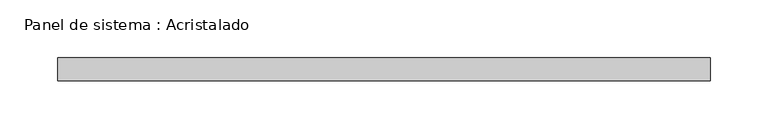
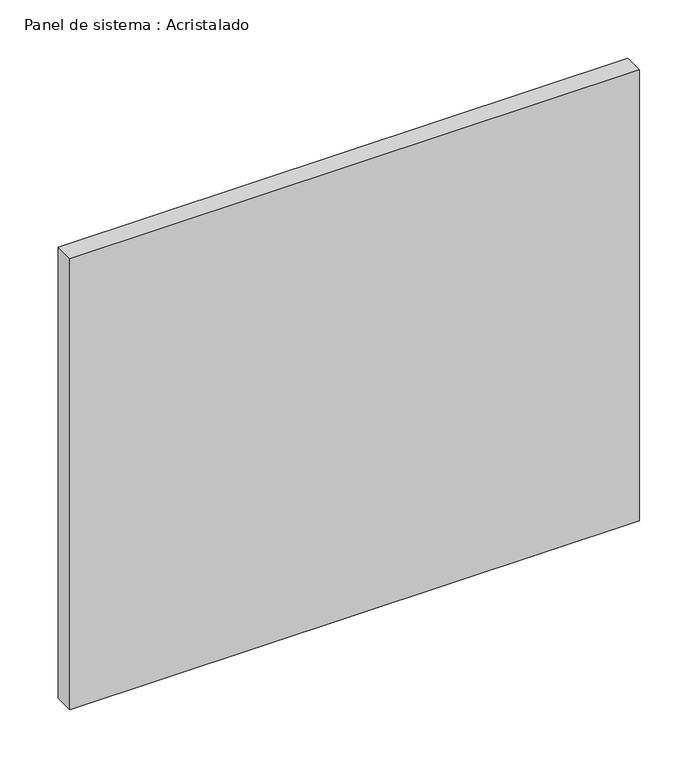
"""IFC4 building model written with IfcOpenShell, lengths in millimetres: plate geometry, Panel de sistema : Acristalado."""

from ifc_helpers import new_model, si_unit, origin, origin_with_axes, place, context, project, spatial, polyline, outline, extrude, source, transform, mapped, element, save


def panel_de_sistema_acristalado_c74443b0(model_context):
    return source(origin(), model_context, "Body", "SweptSolid", [
        extrude(outline(polyline([(282.0, -10.0), (-282.0, -10.0), (-282.0, 10.0), (282.0, 10.0), (282.0, -10.0)])), origin_with_axes(), (0.0, 0.0, 1.0), 472.0),
    ])


if __name__ == "__main__":
    model = new_model("IFC4")
    model_context = context("Model", 3, world=origin())
    ifc_project = project(units=[si_unit("LENGTHUNIT", "METRE", prefix="MILLI")], contexts=[model_context])
    site = spatial("IfcSite", under=ifc_project)
    building = spatial("IfcBuilding", under=site)
    placement = place(None, origin())
    panel_de_sistema_acristalado_shape = panel_de_sistema_acristalado_c74443b0(model_context)
    element("IfcPlate", 1, ObjectType="Panel de sistema : Acristalado", at=placement, inside=building, context=model_context, shape_type="MappedRepresentation", body=[
        mapped(panel_de_sistema_acristalado_shape, transform((0.0, 0.0, 0.0), x_axis=(1.0, 0.0, 0.0), y_axis=(0.0, 1.0, 0.0), z_axis=(0.0, 0.0, 1.0))),
    ])
    save(model, "model.ifc")
